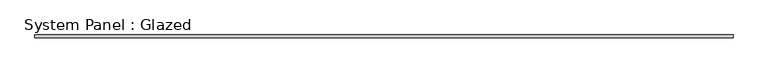
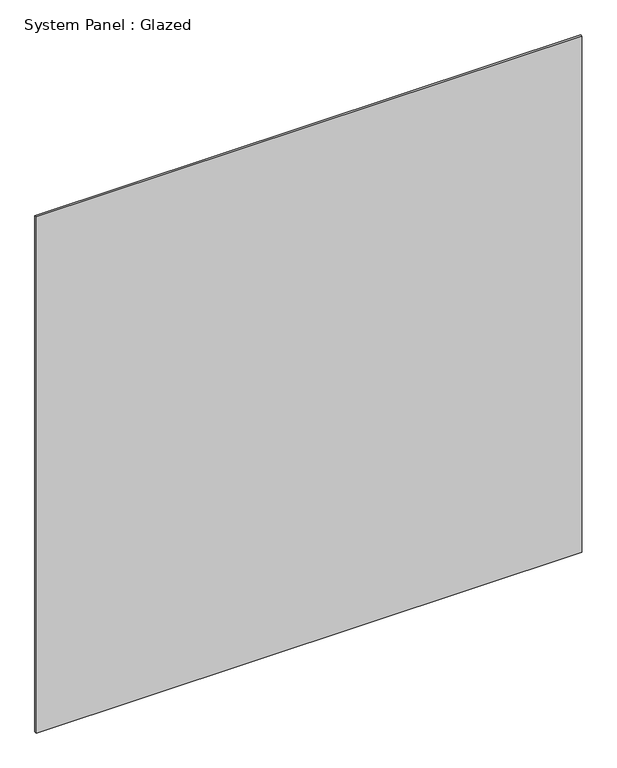
"""IFC4 building model written with IfcOpenShell, lengths in millimetres: plate geometry, System Panel : Glazed."""

from ifc_helpers import new_model, si_unit, origin, origin_with_axes, place, context, project, spatial, polyline, outline, extrude, source, transform, mapped, element, save


def system_panel_glazed_0d639c32(model_context):
    return source(origin(), model_context, "Body", "SweptSolid", [
        extrude(outline(polyline([(728.6553876, 31.025), (-728.6553876, 31.025), (-728.6553876, 37.375), (728.6553876, 37.375), (728.6553876, 31.025)])), origin_with_axes(), (0.0, 0.0, 1.0), 1457.3392248),
    ])


if __name__ == "__main__":
    model = new_model("IFC4")
    model_context = context("Model", 3, world=origin())
    ifc_project = project(units=[si_unit("LENGTHUNIT", "METRE", prefix="MILLI")], contexts=[model_context])
    site = spatial("IfcSite", under=ifc_project)
    building = spatial("IfcBuilding", under=site)
    placement = place(None, origin())
    system_panel_glazed_shape = system_panel_glazed_0d639c32(model_context)
    element("IfcPlate", 1, ObjectType="System Panel : Glazed", at=placement, inside=building, context=model_context, shape_type="MappedRepresentation", body=[
        mapped(system_panel_glazed_shape, transform((0.0, 0.0, 0.0), x_axis=(1.0, 0.0, 0.0), y_axis=(0.0, 1.0, 0.0), z_axis=(0.0, 0.0, 1.0))),
    ])
    save(model, "model.ifc")
